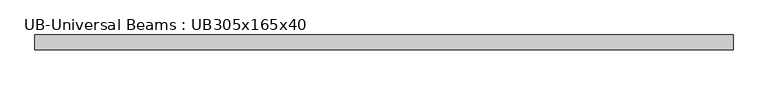
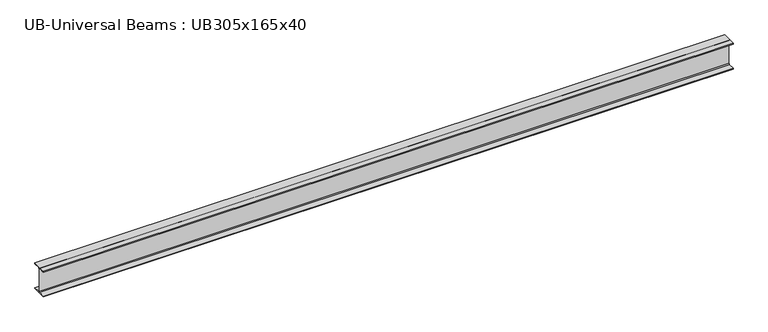
"""IFC4 building model written with IfcOpenShell, lengths in millimetres: beam geometry, UB-Universal Beams : UB305x165x40."""

from ifc_helpers import new_model, si_unit, point, frame, frame_2d, origin, place, context, project, spatial, polyline, circle_curve, trimmed, segment, composite_curve, outline, extrude, source, transform, mapped, element, save


def ub_universal_beams_ub305x165x40_33c5b23c(model_context):
    return source(origin(), model_context, "Body", "SweptSolid", [
        extrude(outline(composite_curve([segment(polyline([(82.5, -141.5), (82.5, -151.7), (-82.5, -151.7), (-82.5, -141.5), (-11.9, -141.5)]), True, "CONTINUOUS"), segment(trimmed(circle_curve(frame_2d((-11.9, -132.6)), 8.9), [point((-11.9, -141.5))], [point((-3.0, -132.6))], True, "CARTESIAN"), True, "CONTINUOUS"), segment(polyline([(-3.0, -132.6), (-3.0, 132.6)]), True, "CONTINUOUS"), segment(trimmed(circle_curve(frame_2d((-11.9, 132.6)), 8.9), [point((-3.0, 132.6))], [point((-11.9, 141.5))], True, "CARTESIAN"), True, "CONTINUOUS"), segment(polyline([(-11.9, 141.5), (-82.5, 141.5), (-82.5, 151.7), (82.5, 151.7), (82.5, 141.5), (11.9, 141.5)]), True, "CONTINUOUS"), segment(trimmed(circle_curve(frame_2d((11.9, 132.6)), 8.9), [point((11.9, 141.5))], [point((3.0, 132.6))], True, "CARTESIAN"), True, "CONTINUOUS"), segment(polyline([(3.0, 132.6), (3.0, -132.6)]), True, "CONTINUOUS"), segment(trimmed(circle_curve(frame_2d((11.9, -132.6)), 8.9), [point((3.0, -132.6))], [point((11.9, -141.5))], True, "CARTESIAN"), True, "CONTINUOUS"), segment(polyline([(11.9, -141.5), (82.5, -141.5)]), True, "CONTINUOUS")], self_intersect=False)), frame((-3817.5, 0.0, 0.0), z_axis=(1.0, 0.0, 0.0), x_axis=(0.0, 1.0, 0.0)), (0.0, 0.0, 1.0), 7717.5),
    ])


if __name__ == "__main__":
    model = new_model("IFC4")
    model_context = context("Model", 3, world=origin())
    ifc_project = project(units=[si_unit("LENGTHUNIT", "METRE", prefix="MILLI")], contexts=[model_context])
    site = spatial("IfcSite", under=ifc_project)
    building = spatial("IfcBuilding", under=site)
    placement = place(None, origin())
    ub_universal_beams_ub305x165x40_shape = ub_universal_beams_ub305x165x40_33c5b23c(model_context)
    element("IfcBeam", 1, ObjectType="UB-Universal Beams : UB305x165x40", at=placement, inside=building, context=model_context, shape_type="MappedRepresentation", body=[
        mapped(ub_universal_beams_ub305x165x40_shape, transform((0.0, 0.0, 0.0), x_axis=(1.0, 0.0, 0.0), y_axis=(0.0, 1.0, 0.0), z_axis=(0.0, 0.0, 1.0))),
    ])
    save(model, "model.ifc")
